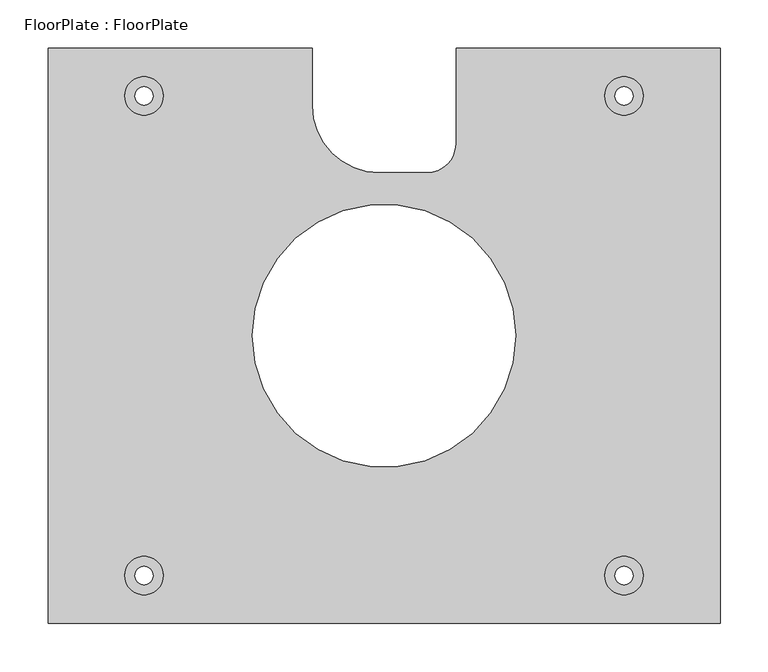
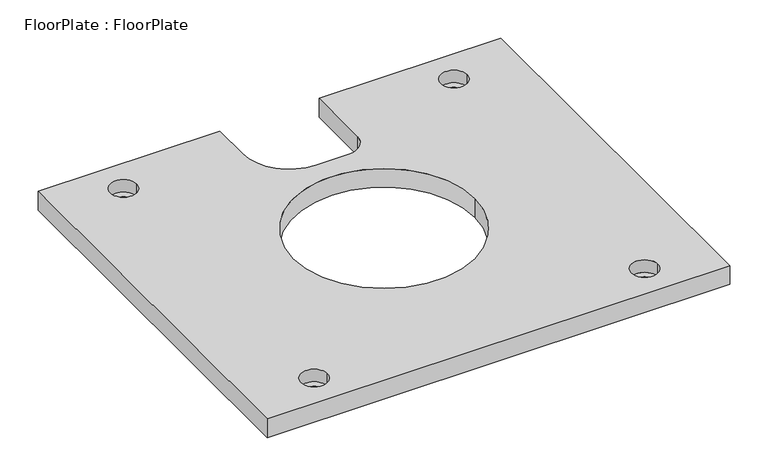
"""IFC4 building model written with IfcOpenShell, lengths in millimetres: proxy geometry, FloorPlate : FloorPlate."""

from ifc_helpers import new_model, si_unit, frame, origin, place, context, project, spatial, polyline, circle_curve, source, transform, mapped, element, save
from ifc_brep_helpers import plane_surface, revolved_surface, advanced_brep


def floorplate_floorplate_52d06390(model_context):
    return source(origin(), model_context, "Body", "AdvancedBrep", [
        advanced_brep(
        [(-350.0, 300.0, 0.0), (-350.0, -300.0, 0.0), (350.0, -300.0, 0.0), (350.0, 300.0, 0.0), (75.0, 300.0, 0.0), (75.0, 200.0, 0.0), (45.0, 170.0, 0.0), (-4.9660803, 170.0, 0.0), (-75.0, 240.0, 0.0), (-75.0, 300.0, 0.0), (-137.0000426, 0.0, 0.0), (137.0000426, 0.0, 0.0), (-230.000146, 250.0000997, 0.0), (-270.000146, 250.0000997, 0.0), (269.999854, 250.0000997, 0.0), (229.999854, 250.0000997, 0.0), (269.9998432, -249.9999997, 0.0), (229.9998432, -249.9999997, 0.0), (-230.000146, -249.9999003, 0.0), (-270.000146, -249.9999003, 0.0), (-350.0, 300.0, -30.0), (-75.0, 300.0, -30.0), (-75.0, 240.0, -30.0), (-4.9660803, 170.0, -30.0), (45.0, 170.0, -30.0), (75.0, 200.0, -30.0), (75.0, 300.0, -30.0), (350.0, 300.0, -30.0), (350.0, -300.0, -30.0), (-350.0, -300.0, -30.0), (-137.0000426, 0.0, -30.0), (137.0000426, 0.0, -30.0), (-259.5001353, 250.0001992, -30.0), (-240.5001353, 250.0001992, -30.0), (240.499854, 250.0000997, -30.0), (259.499854, 250.0000997, -30.0), (240.4998948, -249.9998404, -30.0), (259.4998367, -249.9998404, -30.0), (-259.5001052, -249.9998404, -30.0), (-240.5001633, -249.9998404, -30.0), (-259.5001353, 250.0001992, -20.0), (-240.5001353, 250.0001992, -20.0), (240.499854, 250.0000997, -20.0), (259.499854, 250.0000997, -20.0), (240.4998948, -249.9998404, -20.0), (259.4998367, -249.9998404, -20.0), (-259.5001052, -249.9998404, -20.0), (-240.5001633, -249.9998404, -20.0), (-270.000146, 250.0000997, -20.0), (-230.000146, 250.0000997, -20.0), (229.999854, 250.0000997, -20.0), (269.999854, 250.0000997, -20.0), (229.9998432, -249.9999997, -20.0), (269.9998432, -249.9999997, -20.0), (-270.000146, -249.9999003, -20.0), (-230.000146, -249.9999003, -20.0)],
        [
            (0, 1),
            (1, 2),
            (2, 3),
            (3, 4),
            (4, 5),
            (5, 6, circle_curve(frame((45.0, 200.0, 0.0), z_axis=(0.0, 0.0, -1.0), x_axis=(1.0, 0.0, 0.0)), 30.0)),
            (6, 7),
            (7, 8, circle_curve(frame((-4.9999918, 240.0, 0.0), z_axis=(0.0, 0.0, -1.0), x_axis=(0.0004844798525933905, -0.9999998826396294, 0.0)), 70.0000082)),
            (8, 9),
            (9, 0),
            (10, 11, circle_curve(frame((0.0, 0.0, 0.0), z_axis=(0.0, 0.0, -1.0), x_axis=(1.0, 0.0, 0.0)), 137.0000426)),
            (11, 10, circle_curve(frame((0.0, 0.0, 0.0), z_axis=(0.0, 0.0, -1.0), x_axis=(1.0, 0.0, 0.0)), 137.0000426)),
            (12, 13, circle_curve(frame((-250.000146, 250.0000997, 0.0), z_axis=(0.0, 0.0, -1.0), x_axis=(1.0, 0.0, 0.0)), 20.0)),
            (13, 12, circle_curve(frame((-250.000146, 250.0000997, 0.0), z_axis=(0.0, 0.0, -1.0), x_axis=(1.0, 0.0, 0.0)), 20.0)),
            (14, 15, circle_curve(frame((249.999854, 250.0000997, 0.0), z_axis=(0.0, 0.0, -1.0), x_axis=(1.0, 0.0, 0.0)), 20.0)),
            (15, 14, circle_curve(frame((249.999854, 250.0000997, 0.0), z_axis=(0.0, 0.0, -1.0), x_axis=(1.0, 0.0, 0.0)), 20.0)),
            (16, 17, circle_curve(frame((249.9998432, -249.9999997, 0.0), z_axis=(0.0, 0.0, -1.0), x_axis=(1.0, 0.0, 0.0)), 20.0)),
            (17, 16, circle_curve(frame((249.9998432, -249.9999997, 0.0), z_axis=(0.0, 0.0, -1.0), x_axis=(1.0, 0.0, 0.0)), 20.0)),
            (18, 19, circle_curve(frame((-250.000146, -249.9999003, 0.0), z_axis=(0.0, 0.0, -1.0), x_axis=(1.0, 0.0, 0.0)), 20.0)),
            (19, 18, circle_curve(frame((-250.000146, -249.9999003, 0.0), z_axis=(0.0, 0.0, -1.0), x_axis=(1.0, 0.0, 0.0)), 20.0)),
            (20, 21),
            (21, 22),
            (22, 23, circle_curve(frame((-4.9999918, 240.0, -30.0), z_axis=(0.0, 0.0, 1.0), x_axis=(0.0004844798525933905, -0.9999998826396294, 0.0)), 70.0000082)),
            (23, 24),
            (24, 25, circle_curve(frame((45.0, 200.0, -30.0), z_axis=(0.0, 0.0, 1.0), x_axis=(1.0, 0.0, 0.0)), 30.0)),
            (25, 26),
            (26, 27),
            (27, 28),
            (28, 29),
            (29, 20),
            (30, 31, circle_curve(frame((0.0, 0.0, -30.0), z_axis=(0.0, 0.0, 1.0), x_axis=(1.0, 0.0, 0.0)), 137.0000426)),
            (31, 30, circle_curve(frame((0.0, 0.0, -30.0), z_axis=(0.0, 0.0, 1.0), x_axis=(1.0, 0.0, 0.0)), 137.0000426)),
            (32, 33, circle_curve(frame((-250.0001353, 250.0001992, -30.0), z_axis=(0.0, 0.0, 1.0), x_axis=(1.0, 0.0, 0.0)), 9.5)),
            (33, 32, circle_curve(frame((-250.0001353, 250.0001992, -30.0), z_axis=(0.0, 0.0, 1.0), x_axis=(1.0, 0.0, 0.0)), 9.5)),
            (34, 35, circle_curve(frame((249.999854, 250.0000997, -30.0), z_axis=(0.0, 0.0, 1.0), x_axis=(1.0, 0.0, 0.0)), 9.5)),
            (35, 34, circle_curve(frame((249.999854, 250.0000997, -30.0), z_axis=(0.0, 0.0, 1.0), x_axis=(1.0, 0.0, 0.0)), 9.5)),
            (36, 37, circle_curve(frame((249.9998658, -249.9998404, -30.0), z_axis=(0.0, 0.0, 1.0), x_axis=(1.0, 0.0, 0.0)), 9.499971)),
            (37, 36, circle_curve(frame((249.9998658, -249.9998404, -30.0), z_axis=(0.0, 0.0, 1.0), x_axis=(1.0, 0.0, 0.0)), 9.499971)),
            (38, 39, circle_curve(frame((-250.0001342, -249.9998404, -30.0), z_axis=(0.0, 0.0, 1.0), x_axis=(1.0, 0.0, 0.0)), 9.499971)),
            (39, 38, circle_curve(frame((-250.0001342, -249.9998404, -30.0), z_axis=(0.0, 0.0, 1.0), x_axis=(1.0, 0.0, 0.0)), 9.499971)),
            (0, 20),
            (29, 1),
            (28, 2),
            (27, 3),
            (26, 4),
            (25, 5),
            (24, 6),
            (23, 7),
            (22, 8),
            (21, 9),
            (10, 30),
            (31, 11),
            (32, 40),
            (40, 41, circle_curve(frame((-250.0001353, 250.0001992, -20.0), z_axis=(0.0, 0.0, 1.0), x_axis=(1.0, 0.0, 0.0)), 9.5)),
            (41, 33),
            (41, 40, circle_curve(frame((-250.0001353, 250.0001992, -20.0), z_axis=(0.0, 0.0, 1.0), x_axis=(1.0, 0.0, 0.0)), 9.5)),
            (34, 42),
            (42, 43, circle_curve(frame((249.999854, 250.0000997, -20.0), z_axis=(0.0, 0.0, 1.0), x_axis=(1.0, 0.0, 0.0)), 9.5)),
            (43, 35),
            (43, 42, circle_curve(frame((249.999854, 250.0000997, -20.0), z_axis=(0.0, 0.0, 1.0), x_axis=(1.0, 0.0, 0.0)), 9.5)),
            (36, 44),
            (44, 45, circle_curve(frame((249.9998658, -249.9998404, -20.0), z_axis=(0.0, 0.0, 1.0), x_axis=(1.0, 0.0, 0.0)), 9.499971)),
            (45, 37),
            (45, 44, circle_curve(frame((249.9998658, -249.9998404, -20.0), z_axis=(0.0, 0.0, 1.0), x_axis=(1.0, 0.0, 0.0)), 9.499971)),
            (38, 46),
            (46, 47, circle_curve(frame((-250.0001342, -249.9998404, -20.0), z_axis=(0.0, 0.0, 1.0), x_axis=(1.0, 0.0, 0.0)), 9.499971)),
            (47, 39),
            (47, 46, circle_curve(frame((-250.0001342, -249.9998404, -20.0), z_axis=(0.0, 0.0, 1.0), x_axis=(1.0, 0.0, 0.0)), 9.499971)),
            (48, 49, circle_curve(frame((-250.000146, 250.0000997, -20.0), z_axis=(0.0, 0.0, 1.0), x_axis=(1.0, 0.0, 0.0)), 20.0)),
            (49, 48, circle_curve(frame((-250.000146, 250.0000997, -20.0), z_axis=(0.0, 0.0, 1.0), x_axis=(1.0, 0.0, 0.0)), 20.0)),
            (50, 51, circle_curve(frame((249.999854, 250.0000997, -20.0), z_axis=(0.0, 0.0, 1.0), x_axis=(1.0, 0.0, 0.0)), 20.0)),
            (51, 50, circle_curve(frame((249.999854, 250.0000997, -20.0), z_axis=(0.0, 0.0, 1.0), x_axis=(1.0, 0.0, 0.0)), 20.0)),
            (52, 53, circle_curve(frame((249.9998432, -249.9999997, -20.0), z_axis=(0.0, 0.0, 1.0), x_axis=(1.0, 0.0, 0.0)), 20.0)),
            (53, 52, circle_curve(frame((249.9998432, -249.9999997, -20.0), z_axis=(0.0, 0.0, 1.0), x_axis=(1.0, 0.0, 0.0)), 20.0)),
            (54, 55, circle_curve(frame((-250.000146, -249.9999003, -20.0), z_axis=(0.0, 0.0, 1.0), x_axis=(1.0, 0.0, 0.0)), 20.0)),
            (55, 54, circle_curve(frame((-250.000146, -249.9999003, -20.0), z_axis=(0.0, 0.0, 1.0), x_axis=(1.0, 0.0, 0.0)), 20.0)),
            (48, 13),
            (12, 49),
            (50, 15),
            (14, 51),
            (52, 17),
            (16, 53),
            (54, 19),
            (18, 55),
        ],
        [
            plane_surface(frame((-350.0, 300.0, 0.0), z_axis=(0.0, 0.0, 1.0), x_axis=(0.0, -1.0, 0.0))),
            plane_surface(frame((-350.0, 300.0, -30.0), z_axis=(0.0, 0.0, -1.0), x_axis=(0.0, 1.0, 0.0))),
            plane_surface(frame((-350.0, 300.0, 0.0), z_axis=(-1.0, 0.0, 0.0), x_axis=(0.0, 0.0, -1.0))),
            plane_surface(frame((-350.0, -300.0, 0.0), z_axis=(0.0, -1.0, 0.0), x_axis=(0.0, 0.0, -1.0))),
            plane_surface(frame((350.0, -300.0, 0.0), z_axis=(1.0, 0.0, 0.0), x_axis=(0.0, 0.0, -1.0))),
            plane_surface(frame((350.0, 300.0, 0.0), z_axis=(0.0, 1.0, 0.0), x_axis=(0.0, 0.0, -1.0))),
            plane_surface(frame((75.0, 300.0, 0.0), z_axis=(-1.0, 0.0, 0.0), x_axis=(0.0, 0.0, -1.0))),
            revolved_surface(polyline([(75.0, 200.0, -30.0), (75.0, 200.0, 0.0)]), (45.0, 200.0, -30.0), (0.0, 0.0, -1.0)),
            plane_surface(frame((45.0, 170.0, 0.0), z_axis=(0.0, 1.0, 0.0), x_axis=(0.0, 0.0, -1.0))),
            revolved_surface(polyline([(-4.966078206345728, 170.00000001522693, -30.0), (-4.966078206345728, 170.00000001522693, 0.0)]), (-4.9999918, 240.0, -30.0), (0.0, 0.0, -1.0)),
            plane_surface(frame((-75.0, 240.0, 0.0), z_axis=(1.0, 0.0, 0.0), x_axis=(0.0, 0.0, -1.0))),
            plane_surface(frame((-75.0, 300.0, 0.0), z_axis=(0.0, 1.0, 0.0), x_axis=(0.0, 0.0, -1.0))),
            revolved_surface(polyline([(137.0000426, 0.0, -30.0), (137.0000426, 0.0, 0.0)]), (0.0, 0.0, 0.0), (0.0, 0.0, -1.0)),
            revolved_surface(polyline([(-240.5001353, 250.0001992, -20.0), (-240.5001353, 250.0001992, -30.0)]), (-250.0001353, 250.0001992, -30.0), (0.0, 0.0, 1.0)),
            revolved_surface(polyline([(259.499854, 250.0000997, -20.0), (259.499854, 250.0000997, -30.0)]), (249.999854, 250.0000997, 0.0), (0.0, 0.0, 1.0)),
            revolved_surface(polyline([(259.4998368, -249.9998404, -20.0), (259.4998368, -249.9998404, -30.0)]), (249.9998658, -249.9998404, 0.0), (0.0, 0.0, 1.0)),
            revolved_surface(polyline([(-240.5001632, -249.9998404, -20.0), (-240.5001632, -249.9998404, -30.0)]), (-250.0001342, -249.9998404, 0.0), (0.0, 0.0, 1.0)),
            plane_surface(frame((-230.000146, 250.0000997, -20.0), z_axis=(0.0, 0.0, 1.0), x_axis=(0.0, -1.0, 0.0))),
            revolved_surface(polyline([(-230.000146, 250.0000997, 0.0), (-230.000146, 250.0000997, -20.0)]), (-250.000146, 250.0000997, -20.0), (0.0, 0.0, 1.0)),
            revolved_surface(polyline([(269.999854, 250.0000997, 0.0), (269.999854, 250.0000997, -20.0)]), (249.999854, 250.0000997, 0.0), (0.0, 0.0, 1.0)),
            revolved_surface(polyline([(269.9998432, -249.9999997, 0.0), (269.9998432, -249.9999997, -20.0)]), (249.9998432, -249.9999997, 0.0), (0.0, 0.0, 1.0)),
            revolved_surface(polyline([(-230.000146, -249.9999003, 0.0), (-230.000146, -249.9999003, -20.0)]), (-250.000146, -249.9999003, 0.0), (0.0, 0.0, 1.0)),
        ],
        [
            (0, [[1, 2, 3, 4, 5, 6, 7, 8, 9, 10], [11, 12], [13, 14], [15, 16], [17, 18], [19, 20]]),
            (1, [[21, 22, 23, 24, 25, 26, 27, 28, 29, 30], [31, 32], [33, 34], [35, 36], [37, 38], [39, 40]]),
            (2, [[-1, 41, -30, 42]]),
            (3, [[-2, -42, -29, 43]]),
            (4, [[-3, -43, -28, 44]]),
            (5, [[-4, -44, -27, 45]]),
            (6, [[-5, -45, -26, 46]]),
            (7, [[-6, -46, -25, 47]]),
            (8, [[-7, -47, -24, 48]]),
            (9, [[-8, -48, -23, 49]]),
            (10, [[-9, -49, -22, 50]]),
            (11, [[-10, -50, -21, -41]]),
            (12, [[-11, 51, -32, 52]]),
            (12, [[-12, -52, -31, -51]]),
            (13, [[-33, 53, 54, 55]]),
            (13, [[-34, -55, 56, -53]]),
            (14, [[-35, 57, 58, 59]]),
            (14, [[-36, -59, 60, -57]]),
            (15, [[-37, 61, 62, 63]]),
            (15, [[-38, -63, 64, -61]]),
            (16, [[-39, 65, 66, 67]]),
            (16, [[-40, -67, 68, -65]]),
            (17, [[69, 70], [-54, -56]]),
            (17, [[71, 72], [-58, -60]]),
            (17, [[73, 74], [-62, -64]]),
            (17, [[75, 76], [-66, -68]]),
            (18, [[-69, 77, -13, 78]]),
            (18, [[-70, -78, -14, -77]]),
            (19, [[-71, 79, -15, 80]]),
            (19, [[-72, -80, -16, -79]]),
            (20, [[-73, 81, -17, 82]]),
            (20, [[-74, -82, -18, -81]]),
            (21, [[-75, 83, -19, 84]]),
            (21, [[-76, -84, -20, -83]]),
        ],
    ),
    ])


if __name__ == "__main__":
    model = new_model("IFC4")
    model_context = context("Model", 3, world=origin())
    ifc_project = project(units=[si_unit("LENGTHUNIT", "METRE", prefix="MILLI")], contexts=[model_context])
    site = spatial("IfcSite", under=ifc_project)
    building = spatial("IfcBuilding", under=site)
    placement = place(None, origin())
    floorplate_floorplate_shape = floorplate_floorplate_52d06390(model_context)
    element("IfcBuildingElementProxy", 1, Name="FloorPlate : FloorPlate", ObjectType="FloorPlate : FloorPlate", at=placement, inside=building, context=model_context, shape_type="MappedRepresentation", body=[
        mapped(floorplate_floorplate_shape, transform((0.0, 0.0, 0.0), x_axis=(1.0, 0.0, 0.0), y_axis=(0.0, 1.0, 0.0), z_axis=(0.0, 0.0, 1.0))),
    ])
    save(model, "model.ifc")
